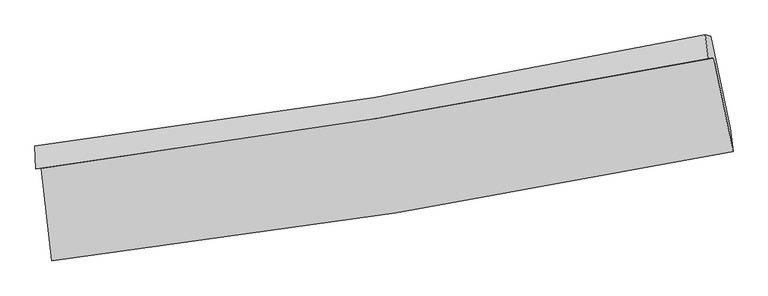
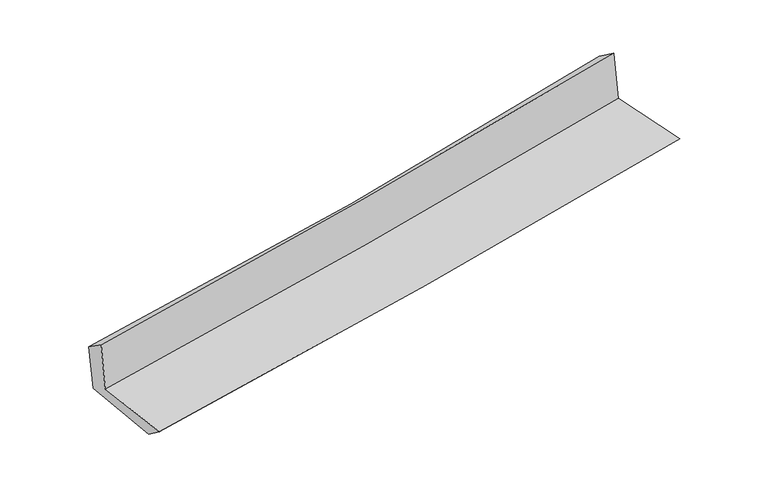
"""IFC4 building model written with IfcOpenShell, lengths in millimetres: proxy geometry."""

from ifc_helpers import new_model, si_unit, frame, origin, place, context, project, spatial, source, transform, mapped, element, save
from ifc_brep_helpers import plane_surface, spline_curve, spline_surface, advanced_brep


def generic_models_b83496ca(model_context):
    return source(origin(), model_context, "Body", "AdvancedBrep", [
        advanced_brep(
        [(-2356.2088261, -1878.9883289, 1666.691983), (-2283.0862849, -2521.4500427, 1659.0520357), (2428.4127826, -1763.9072324, 2095.7820895), (2296.0729721, -1115.3101881, 2098.1118397), (-2393.6483499, -1884.9842154, 2069.9852382), (2257.8897832, -1121.3051146, 2506.2570124), (-2400.8326835, -1723.6130732, 1953.5852679), (2235.518304, -954.9965386, 2387.0951261), (-2365.7777423, -1722.5643715, 1581.4219954), (2274.7190144, -963.9920059, 2000.0377845), (-2289.3571685, -2378.5656126, 1555.0302379), (2407.64404, -1601.9675688, 1969.2369162)],
        [
            (0, 1),
            (1, 2, spline_curve(3, [(-2283.0862849, -2521.4500427, 1659.0520357), (-1488.851168693, -2426.769483257, 1745.927339833), (-696.123507825, -2315.694648116, 1825.985294112), (874.330855205, -2062.687432509, 1971.356993502), (1652.102883257, -1921.247997512, 2036.875724029), (2428.4127826, -1763.9072324, 2095.7820895)], [4, 2, 4], [0.0, 7.874677415434636, 15.630062796577963])),
            (2, 3),
            (3, 0, spline_curve(3, [(2296.0729721, -1115.3101881, 2098.1118397), (1530.361214555, -1264.785849033, 2030.8202603), (762.788434612, -1402.766220715, 1961.512711233), (-787.914472832, -1657.681958164, 1817.768587995), (-1571.10229188, -1774.260966485, 1743.269517929), (-2356.2088261, -1878.9883289, 1666.691983)], [4, 2, 4], [0.0, 7.755385381143327, 15.630062796577963])),
            (4, 0),
            (3, 5),
            (5, 4, spline_curve(3, [(2257.8897832, -1121.3051146, 2506.2570124), (1492.13215138, -1270.845796646, 2440.11530238), (724.597288738, -1408.859005873, 2370.988898183), (-825.860327442, -1663.776060861, 2225.657499615), (-1608.838175944, -1780.322551873, 2149.359979369), (-2393.6483499, -1884.9842154, 2069.9852382)], [4, 2, 4], [0.0, 7.7076860948397545, 15.533930521566909])),
            (6, 4),
            (5, 7),
            (7, 6, spline_curve(3, [(2235.518304, -954.9965386, 2387.0951261), (1475.081660015, -1117.294959713, 2315.398867368), (711.473947044, -1262.140919455, 2243.700651474), (-833.878077967, -1518.887462127, 2099.197426324), (-1615.72069437, -1630.247013731, 2026.392355996), (-2400.8326835, -1723.6130732, 1953.5852679)], [4, 2, 4], [0.0, 7.6963340088466055, 15.511051733702093])),
            (8, 6),
            (7, 9),
            (9, 8, spline_curve(3, [(2274.7190144, -963.9920059, 2000.0377845), (1513.439133424, -1127.79058097, 1935.729355701), (749.066357018, -1272.568056187, 1868.975546786), (-797.670014574, -1526.015170441, 1729.512757715), (-1580.129490503, -1634.095150407, 1656.727970443), (-2365.7777423, -1722.5643715, 1581.4219954)], [4, 2, 4], [0.0, 7.686495576522653, 15.491223535941971])),
            (10, 8),
            (9, 11),
            (11, 10, spline_curve(3, [(2407.64404, -1601.9675688, 1969.2369162), (1636.953462525, -1772.174784604, 1902.028145497), (863.202322983, -1921.660334273, 1834.174936366), (-702.369868408, -2181.168726142, 1696.12602153), (-1494.285798227, -2290.549190898, 1625.910337915), (-2289.3571685, -2378.5656126, 1555.0302379)], [4, 2, 4], [0.0, 7.7351234483649, 15.58922726537704])),
            (1, 10),
            (11, 2),
        ],
        [
            spline_surface(3, 3, [[(-2356.2088261, -1878.9883289, 1666.691983), (-1571.102291944, -1774.260966615, 1743.26951803), (-787.914472709, -1657.681958072, 1817.768587958), (762.788434491, -1402.766220805, 1961.51271127), (1530.361214663, -1264.785849067, 2030.820260241), (2296.0729721, -1115.3101881, 2098.1118397)], [(-2331.834645705, -2093.142233493, 1664.145333904), (-1543.685250858, -1991.763805483, 1744.155458664), (-757.317484362, -1877.01952141, 1820.507489977), (799.969241364, -1622.73995805, 1964.794138693), (1570.941770864, -1483.606565229, 2032.838748178), (2340.186242259, -1331.50920285, 2097.335256296)], [(-2307.460465295, -2307.296138107, 1661.598684796), (-1516.268209757, -2209.266644374, 1745.041399288), (-726.720496045, -2096.357084748, 1823.246392025), (837.150048208, -1842.713695295, 1968.075566146), (1611.522327087, -1702.427281439, 2034.857236127), (2384.299512441, -1547.70821765, 2096.558672904)], [(-2283.0862849, -2521.4500427, 1659.0520357), (-1488.851168671, -2426.769483242, 1745.927339922), (-696.123507698, -2315.694648085, 1825.985294043), (874.330855081, -2062.68743254, 1971.356993569), (1652.102883288, -1921.2479976, 2036.875724063), (2428.4127826, -1763.9072324, 2095.7820895)]], [4, 4], [4, 2, 4], [0.0, 2.1876192356619324], [0.0, 7.874677415434636, 15.630062796577963]),
            spline_surface(3, 3, [[(-2393.6483499, -1884.9842154, 2069.9852382), (-1608.838175948, -1780.322551942, 2149.359979337), (-825.860327556, -1663.776060856, 2225.657499697), (724.597288851, -1408.859005878, 2370.988898102), (1492.132151488, -1270.845796702, 2440.115302497), (2257.8897832, -1121.3051146, 2506.2570124)], [(-2381.168508629, -1882.985586562, 1935.554153142), (-1596.259547942, -1778.302023495, 2013.996492243), (-813.211709274, -1661.744693252, 2089.694529125), (737.32767073, -1406.828077511, 2234.496835833), (1504.875172545, -1268.825814161, 2303.683621765), (2270.617512832, -1119.306805771, 2370.208621519)], [(-2368.688667371, -1880.986957738, 1801.123068058), (-1583.68091995, -1776.281495062, 1878.633005124), (-800.56309099, -1659.713325676, 1953.73155853), (750.058052611, -1404.797149172, 2098.00477354), (1517.618193606, -1266.805831607, 2167.251940974), (2283.345242468, -1117.308496929, 2234.160230581)], [(-2356.2088261, -1878.9883289, 1666.691983), (-1571.102291944, -1774.260966615, 1743.26951803), (-787.914472709, -1657.681958072, 1817.768587958), (762.788434491, -1402.766220805, 1961.51271127), (1530.361214663, -1264.785849067, 2030.820260241), (2296.0729721, -1115.3101881, 2098.1118397)]], [4, 4], [4, 2, 4], [0.0, 1.346734148570143], [0.0, 7.826244426727154, 15.533930521566909]),
            spline_surface(3, 3, [[(-2400.8326835, -1723.6130732, 1953.5852679), (-1615.720694477, -1630.247013742, 2026.392355899), (-833.878078057, -1518.88746202, 2099.197426203), (711.473947132, -1262.14091956, 2243.700651593), (1475.081659898, -1117.294959766, 2315.398867375), (2235.518304, -954.9965386, 2387.0951261)], [(-2398.437905632, -1777.403453931, 1992.385257993), (-1613.426521632, -1680.27219314, 2067.381563705), (-831.20549454, -1567.183661628, 2141.350784016), (715.848394388, -1311.046948329, 2286.130067078), (1480.765157109, -1168.478572082, 2356.971012407), (2242.975463747, -1010.432730604, 2426.815754859)], [(-2396.043127768, -1831.193834669, 2031.185248107), (-1611.132348793, -1730.297372544, 2108.370771531), (-828.532911073, -1615.479861248, 2183.504141884), (720.222841595, -1359.952977109, 2328.559482617), (1486.448654278, -1219.662184386, 2398.543157464), (2250.432623453, -1065.868922596, 2466.536383641)], [(-2393.6483499, -1884.9842154, 2069.9852382), (-1608.838175948, -1780.322551942, 2149.359979337), (-825.860327556, -1663.776060856, 2225.657499697), (724.597288851, -1408.859005878, 2370.988898102), (1492.132151488, -1270.845796702, 2440.115302497), (2257.8897832, -1121.3051146, 2506.2570124)]], [4, 4], [4, 2, 4], [0.0, 0.6350021622985688], [0.0, 7.8147177248554875, 15.511051733702093]),
            spline_surface(3, 3, [[(-2365.7777423, -1722.5643715, 1581.4219954), (-1580.129490484, -1634.095150419, 1656.727970439), (-797.670014603, -1526.015170478, 1729.512757782), (749.066357045, -1272.56805615, 1868.97554672), (1513.439133415, -1127.790580897, 1935.72935573), (2274.7190144, -963.9920059, 2000.0377845)], [(-2377.462722712, -1722.913938731, 1705.476419578), (-1591.99322516, -1632.812438191, 1779.949432271), (-809.739369086, -1523.63926768, 1852.74098062), (736.535553743, -1269.092343975, 1993.883915042), (1500.653308896, -1124.292040511, 2062.285859607), (2261.65211092, -960.993516791, 2129.056898362)], [(-2389.147703088, -1723.263505969, 1829.530843722), (-1603.856959801, -1631.529725971, 1903.170894067), (-821.808723574, -1521.263364818, 1975.969203364), (724.004750435, -1265.616631736, 2118.792283271), (1487.867484417, -1120.793500152, 2188.842363497), (2248.58520748, -957.995027709, 2258.076012238)], [(-2400.8326835, -1723.6130732, 1953.5852679), (-1615.720694477, -1630.247013742, 2026.392355899), (-833.878078057, -1518.88746202, 2099.197426203), (711.473947132, -1262.14091956, 2243.700651593), (1475.081659898, -1117.294959766, 2315.398867375), (2235.518304, -954.9965386, 2387.0951261)]], [4, 4], [4, 2, 4], [0.0, 1.2273394043727954], [0.0, 7.804727959419319, 15.491223535941971]),
            spline_surface(3, 3, [[(-2289.3571685, -2378.5656126, 1555.0302379), (-1494.285798142, -2290.549190966, 1625.910337842), (-702.369868329, -2181.168726065, 1696.126021453), (863.202322905, -1921.660334349, 1834.174936442), (1636.953462638, -1772.17478462, 1902.028145616), (2407.64404, -1601.9675688, 1969.2369162)], [(-2314.830693105, -2159.898532244, 1563.827490376), (-1522.900362261, -2071.731177461, 1636.182882017), (-734.136583759, -1962.784207517, 1707.254933556), (825.157000946, -1705.296241597, 1845.775139862), (1595.782019572, -1557.380050039, 1913.261882314), (2363.335698143, -1389.309047826, 1979.503872293)], [(-2340.304217695, -1941.231451856, 1572.624742924), (-1551.514926365, -1852.913163924, 1646.455426263), (-765.903299172, -1744.399689026, 1718.383845679), (787.111679004, -1488.932148902, 1857.3753433), (1554.61057648, -1342.585315478, 1924.495619033), (2319.027356257, -1176.650526874, 1989.770828407)], [(-2365.7777423, -1722.5643715, 1581.4219954), (-1580.129490484, -1634.095150419, 1656.727970439), (-797.670014603, -1526.015170478, 1729.512757782), (749.066357045, -1272.56805615, 1868.97554672), (1513.439133415, -1127.790580897, 1935.72935573), (2274.7190144, -963.9920059, 2000.0377845)]], [4, 4], [4, 2, 4], [0.0, 2.1698772876186996], [0.0, 7.854103817012141, 15.58922726537704]),
            spline_surface(3, 3, [[(-2283.0862849, -2521.4500427, 1659.0520357), (-1488.851168671, -2426.769483242, 1745.927339922), (-696.123507698, -2315.694648085, 1825.985294043), (874.330855081, -2062.68743254, 1971.356993569), (1652.102883288, -1921.2479976, 2036.875724063), (2428.4127826, -1763.9072324, 2095.7820895)], [(-2285.176579418, -2473.821899339, 1624.378103107), (-1490.662711812, -2381.362719156, 1705.921672568), (-698.20562793, -2270.85267409, 1782.698869842), (870.621344334, -2015.678399821, 1925.629641189), (1647.053076404, -1871.55692663, 1991.926531252), (2421.489868399, -1709.927344556, 2053.600365071)], [(-2287.266873982, -2426.193755961, 1589.704170493), (-1492.474255001, -2335.955955052, 1665.916005195), (-700.287748097, -2226.01070006, 1739.412445655), (866.911833652, -1968.669367068, 1879.902288823), (1642.003269522, -1821.86585559, 1946.977338427), (2414.566954201, -1655.947456644, 2011.418640629)], [(-2289.3571685, -2378.5656126, 1555.0302379), (-1494.285798142, -2290.549190966, 1625.910337842), (-702.369868329, -2181.168726065, 1696.126021453), (863.202322905, -1921.660334349, 1834.174936442), (1636.953462638, -1772.17478462, 1902.028145616), (2407.64404, -1601.9675688, 1969.2369162)]], [4, 4], [4, 2, 4], [0.0, 0.6298556960847435], [0.0, 7.91254545105531, 15.70522521193914]),
            plane_surface(frame((2316.7094827, -1253.5797747, 2176.0867947), z_axis=(0.9755230007481748, 0.1987075184507921, 0.09418172392988414), x_axis=(-0.10073642702542941, 0.02311619426399966, 0.9946445665829072))),
            plane_surface(frame((-2348.1518425, -2018.3609407, 1747.627793), z_axis=(-0.9893565288766709, -0.11149286611020318, -0.09350400833995139), x_axis=(-0.1130781834334349, 0.993515848073749, 0.011814569721062389))),
        ],
        [
            (0, [[1, 2, 3, 4]]),
            (1, [[5, -4, 6, 7]]),
            (2, [[8, -7, 9, 10]]),
            (3, [[11, -10, 12, 13]]),
            (4, [[14, -13, 15, 16]]),
            (5, [[17, -16, 18, -2]]),
            (6, [[-12, -9, -6, -3, -18, -15]]),
            (7, [[-1, -5, -8, -11, -14, -17]]),
        ],
    ),
    ])


if __name__ == "__main__":
    model = new_model("IFC4")
    model_context = context("Model", 3, world=origin())
    ifc_project = project(units=[si_unit("LENGTHUNIT", "METRE", prefix="MILLI")], contexts=[model_context])
    site = spatial("IfcSite", under=ifc_project)
    building = spatial("IfcBuilding", under=site)
    placement = place(None, origin())
    generic_models_shape = generic_models_b83496ca(model_context)
    element("IfcBuildingElementProxy", 1, Name="Generic Models", at=placement, inside=building, context=model_context, shape_type="MappedRepresentation", body=[
        mapped(generic_models_shape, transform((0.0, 0.0, 0.0), x_axis=(1.0, 0.0, 0.0), y_axis=(0.0, 1.0, 0.0), z_axis=(0.0, 0.0, 1.0))),
    ])
    save(model, "model.ifc")
